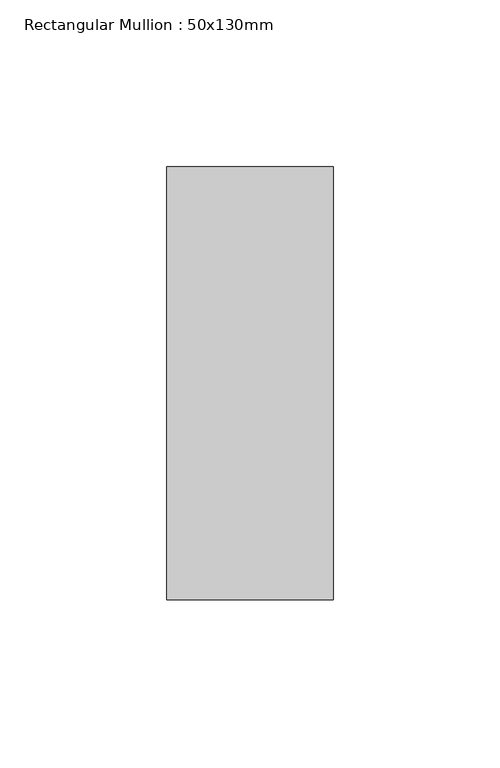
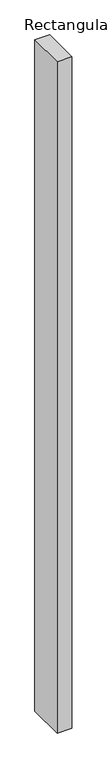
"""IFC4 building model written with IfcOpenShell, lengths in millimetres: member geometry, Rectangular Mullion : 50x130mm."""

from ifc_helpers import new_model, si_unit, frame, origin, place, context, project, spatial, polyline, outline, extrude, source, transform, mapped, element, save


def rectangular_mullion_50x130mm_e8755d51(model_context):
    return source(origin(), model_context, "Body", "SweptSolid", [
        extrude(outline(polyline([(25.0, 65.0), (25.0, -65.0), (-25.0, -65.0), (-25.0, 65.0), (25.0, 65.0)])), frame((0.0, 0.0, -2400.0), z_axis=(0.0, 0.0, 1.0), x_axis=(1.0, 0.0, 0.0)), (0.0, 0.0, 1.0), 2400.0),
    ])


if __name__ == "__main__":
    model = new_model("IFC4")
    model_context = context("Model", 3, world=origin())
    ifc_project = project(units=[si_unit("LENGTHUNIT", "METRE", prefix="MILLI")], contexts=[model_context])
    site = spatial("IfcSite", under=ifc_project)
    building = spatial("IfcBuilding", under=site)
    placement = place(None, origin())
    rectangular_mullion_50x130mm_shape = rectangular_mullion_50x130mm_e8755d51(model_context)
    element("IfcMember", 1, ObjectType="Rectangular Mullion : 50x130mm", at=placement, inside=building, context=model_context, shape_type="MappedRepresentation", body=[
        mapped(rectangular_mullion_50x130mm_shape, transform((0.0, 0.0, 0.0), x_axis=(1.0, 0.0, 0.0), y_axis=(0.0, 1.0, 0.0), z_axis=(0.0, 0.0, 1.0))),
    ])
    save(model, "model.ifc")
